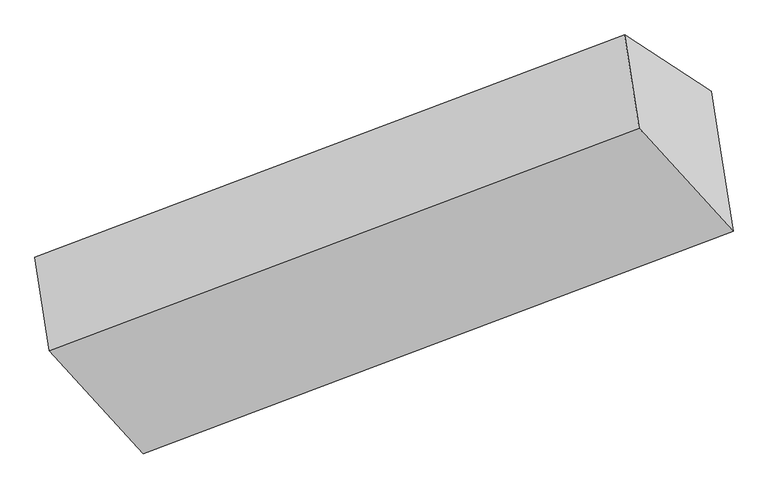
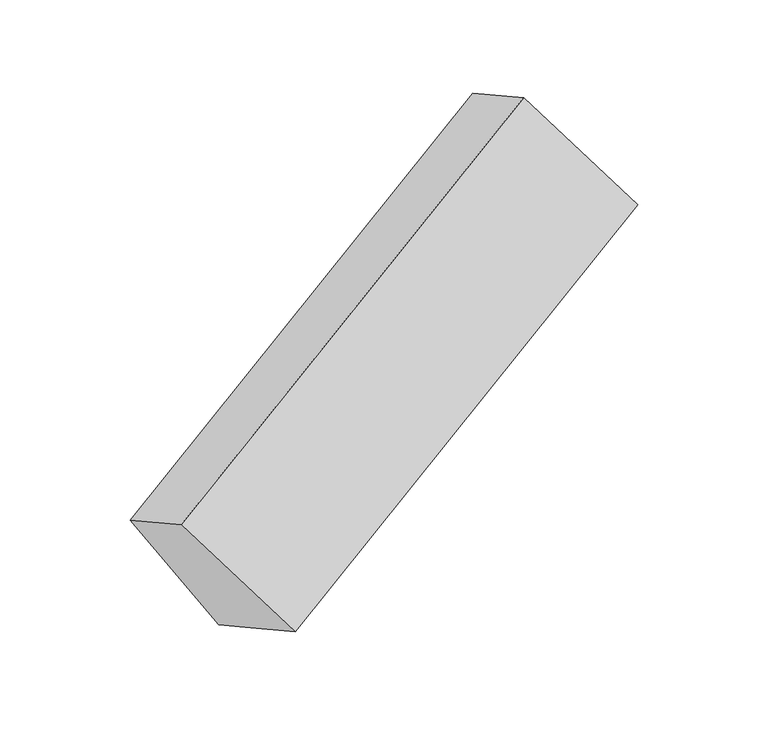
"""IFC4 building model written with IfcOpenShell, lengths in millimetres: proxy geometry."""

from ifc_helpers import new_model, si_unit, origin, place, context, project, spatial, faceted_brep, source, transform, mapped, element, save


def generic_models_d8d84aff(model_context):
    return source(origin(), model_context, "Body", "Brep", [
        faceted_brep([(-4166.6436631, -1668.2299999, 1548.5226588), (-4110.6661182, -2030.0555139, 1722.5548164), (-1824.4762166, -1168.0224566, 2756.1361469), (-1880.4537615, -806.1969426, 2582.1039893), (-3830.3261221, -1886.9943622, 985.5189046), (-1544.1362205, -1024.9613049, 2019.100235), (-3801.4564312, -2073.6011657, 1075.2737267), (-1515.2665296, -1211.5681084, 2108.8550572), (-3746.2915051, -2430.1741051, 1246.7794818), (-1460.1016035, -1568.1410478, 2280.3608123)], [[[0, 1, 2, 3]], [[4, 0, 5]], [[6, 4, 5, 7]], [[8, 6, 7, 9]], [[1, 8, 9, 2]], [[7, 5, 3, 2, 9]], [[1, 0, 4, 6, 8]], [[3, 5, 0]]]),
    ])


if __name__ == "__main__":
    model = new_model("IFC4")
    model_context = context("Model", 3, world=origin())
    ifc_project = project(units=[si_unit("LENGTHUNIT", "METRE", prefix="MILLI")], contexts=[model_context])
    site = spatial("IfcSite", under=ifc_project)
    building = spatial("IfcBuilding", under=site)
    placement = place(None, origin())
    generic_models_shape = generic_models_d8d84aff(model_context)
    element("IfcBuildingElementProxy", 1, Name="Generic Models", at=placement, inside=building, context=model_context, shape_type="MappedRepresentation", body=[
        mapped(generic_models_shape, transform((0.0, 0.0, 0.0), x_axis=(1.0, 0.0, 0.0), y_axis=(0.0, 1.0, 0.0), z_axis=(0.0, 0.0, 1.0))),
    ])
    save(model, "model.ifc")
